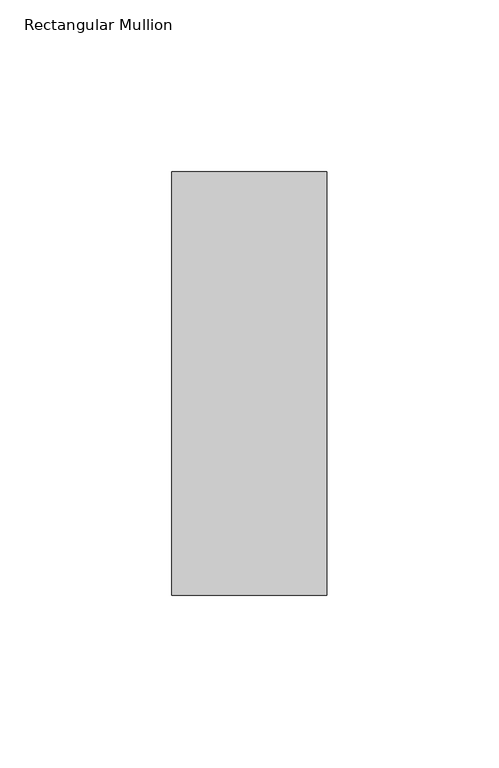
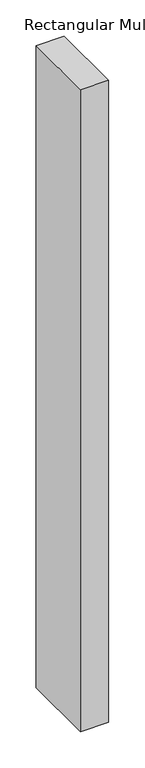
"""IFC4 building model written with IfcOpenShell, lengths in millimetres: member geometry, Rectangular Mullion."""

from ifc_helpers import new_model, si_unit, frame, origin, place, context, project, spatial, polyline, outline, extrude, source, transform, mapped, element, save


def rectangular_mullion_54316241(model_context):
    return source(origin(), model_context, "Body", "SweptSolid", [
        extrude(outline(polyline([(-45.0, 77.05), (0.0, 77.05), (0.0, -46.05), (-45.0, -46.05), (-45.0, 77.05)])), frame((0.0, 0.0, -1083.1128906), z_axis=(0.0, 0.0, 1.0), x_axis=(1.0, 0.0, 0.0)), (0.0, 0.0, 1.0), 1083.1128906),
    ])


if __name__ == "__main__":
    model = new_model("IFC4")
    model_context = context("Model", 3, world=origin())
    ifc_project = project(units=[si_unit("LENGTHUNIT", "METRE", prefix="MILLI")], contexts=[model_context])
    site = spatial("IfcSite", under=ifc_project)
    building = spatial("IfcBuilding", under=site)
    placement = place(None, origin())
    rectangular_mullion_shape = rectangular_mullion_54316241(model_context)
    element("IfcMember", 1, ObjectType="Rectangular Mullion", at=placement, inside=building, context=model_context, shape_type="MappedRepresentation", body=[
        mapped(rectangular_mullion_shape, transform((0.0, 0.0, 0.0), x_axis=(1.0, 0.0, 0.0), y_axis=(0.0, 1.0, 0.0), z_axis=(0.0, 0.0, 1.0))),
    ])
    save(model, "model.ifc")
